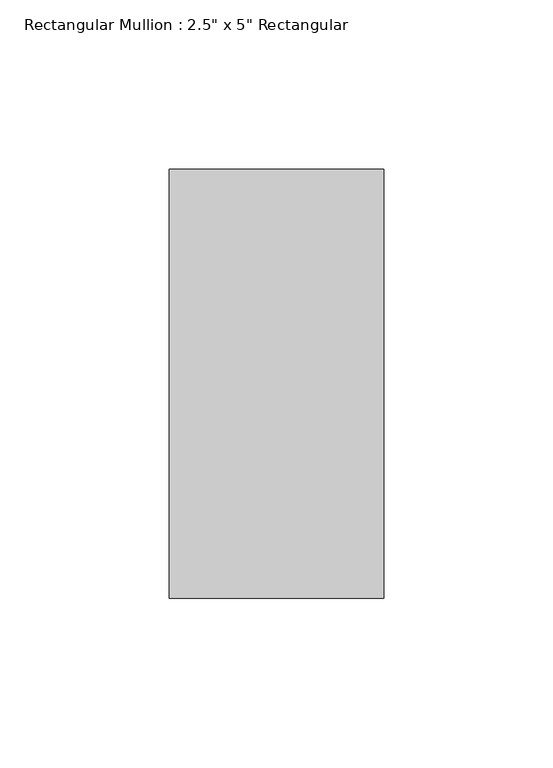
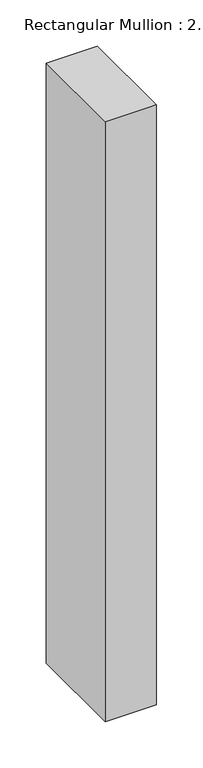
"""IFC4 building model written with IfcOpenShell, lengths in millimetres: member geometry."""

from ifc_helpers import new_model, si_unit, frame, origin, place, context, project, spatial, polyline, outline, extrude, source, transform, mapped, element, save


def member_4ab4c2f5(model_context):
    return source(origin(), model_context, "Body", "SweptSolid", [
        extrude(outline(polyline([(0.0, 63.5), (0.0, -63.5), (-63.5, -63.5), (-63.5, 63.5), (0.0, 63.5)])), frame((0.0, 0.0, -788.9875), z_axis=(0.0, 0.0, 1.0), x_axis=(1.0, 0.0, 0.0)), (0.0, 0.0, 1.0), 788.9875),
    ])


if __name__ == "__main__":
    model = new_model("IFC4")
    model_context = context("Model", 3, world=origin())
    ifc_project = project(units=[si_unit("LENGTHUNIT", "METRE", prefix="MILLI")], contexts=[model_context])
    site = spatial("IfcSite", under=ifc_project)
    building = spatial("IfcBuilding", under=site)
    placement = place(None, origin())
    member_shape = member_4ab4c2f5(model_context)
    element("IfcMember", 1, ObjectType="Rectangular Mullion : 2.5\" x 5\" Rectangular", at=placement, inside=building, context=model_context, shape_type="MappedRepresentation", body=[
        mapped(member_shape, transform((0.0, 0.0, 0.0), x_axis=(1.0, 0.0, 0.0), y_axis=(0.0, 1.0, 0.0), z_axis=(0.0, 0.0, 1.0))),
    ])
    save(model, "model.ifc")
